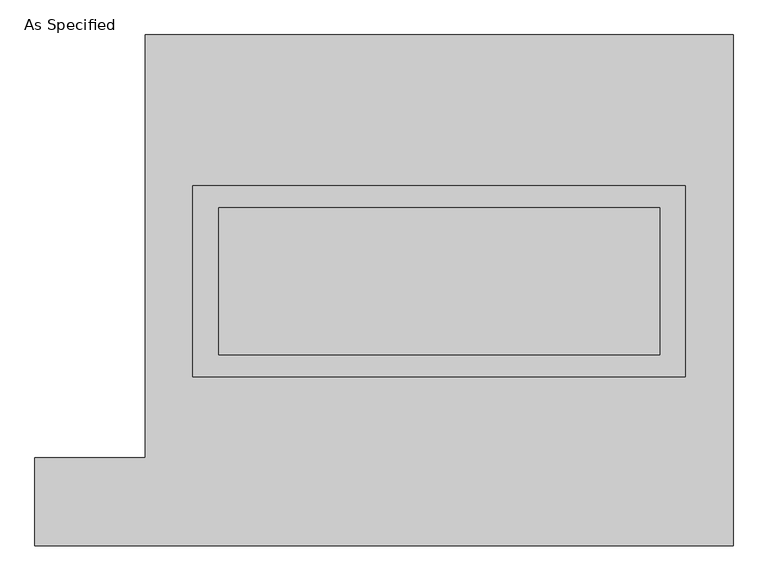
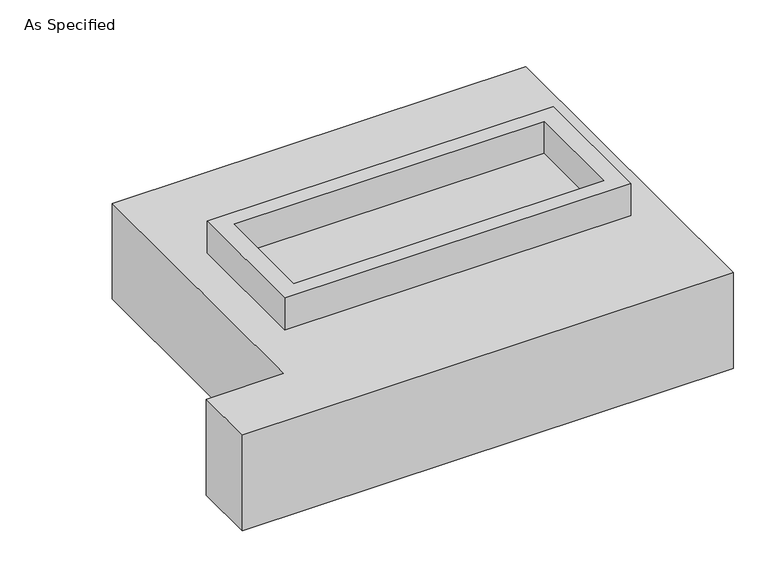
"""IFC4 building model written with IfcOpenShell, lengths in millimetres: proxy geometry, As Specified."""

from ifc_helpers import new_model, si_unit, frame, origin, place, context, project, spatial, polyline, outline, extrude, faceted_brep, source, transform, mapped, element, save


def as_specified_132fed35(model_context):
    return source(origin(), model_context, "Body", "SolidModel", [
        extrude(outline(polyline([(850.9, 361.95), (850.9, -298.45), (-850.9, -298.45), (-850.9, 361.95), (850.9, 361.95)]), holes=[polyline([(762.0, 285.75), (-762.0, 285.75), (-762.0, -222.25), (762.0, -222.25), (762.0, 285.75)])]), frame((0.0, 0.0, -25.4), z_axis=(0.0, 0.0, 1.0), x_axis=(1.0, 0.0, 0.0)), (0.0, 0.0, 1.0), 165.1),
        extrude(outline(polyline([(762.0, 285.75), (762.0, -222.25), (-762.0, -222.25), (-762.0, 285.75), (762.0, 285.75)])), frame((0.0, 0.0, -30.3609375), z_axis=(0.0, 0.0, 1.0), x_axis=(1.0, 0.0, 0.0)), (0.0, 0.0, 1.0), 4.9609375),
        faceted_brep([(-1016.0, 882.65, -523.875), (1016.0, 882.65, -523.875), (1016.0, -882.65, -523.875), (-1397.0, -882.65, -523.875), (-1397.0, -577.85, -523.875), (-1016.0, -577.85, -523.875), (1016.0, 882.65, -25.4), (-1016.0, 882.65, -25.4), (-1016.0, -577.85, -25.4), (-1397.0, -577.85, -25.4), (-1397.0, -882.65, -25.4), (1016.0, -882.65, -25.4), (-850.9, -298.45, -25.4), (-850.9, 361.95, -25.4), (850.9, 361.95, -25.4), (850.9, -298.45, -25.4), (850.9, 361.95, -498.475), (-850.9, 361.95, -498.475), (-850.9, -298.45, -498.475), (850.9, -298.45, -498.475)], [[[0, 1, 2, 3, 4, 5]], [[6, 7, 8, 9, 10, 11], [12, 13, 14, 15]], [[1, 0, 7, 6]], [[7, 0, 5, 8]], [[1, 6, 11, 2]], [[16, 17, 18, 19]], [[18, 17, 13, 12]], [[17, 16, 14, 13]], [[16, 19, 15, 14]], [[12, 15, 19, 18]], [[3, 2, 11, 10]], [[5, 4, 9, 8]], [[4, 3, 10, 9]]]),
    ])


if __name__ == "__main__":
    model = new_model("IFC4")
    model_context = context("Model", 3, world=origin())
    ifc_project = project(units=[si_unit("LENGTHUNIT", "METRE", prefix="MILLI")], contexts=[model_context])
    site = spatial("IfcSite", under=ifc_project)
    building = spatial("IfcBuilding", under=site)
    placement = place(None, origin())
    as_specified_shape = as_specified_132fed35(model_context)
    element("IfcBuildingElementProxy", 1, Name="As Specified", ObjectType="As Specified", at=placement, inside=building, context=model_context, shape_type="MappedRepresentation", body=[
        mapped(as_specified_shape, transform((0.0, 0.0, 0.0), x_axis=(1.0, 0.0, 0.0), y_axis=(0.0, 1.0, 0.0), z_axis=(0.0, 0.0, 1.0))),
    ])
    save(model, "model.ifc")
